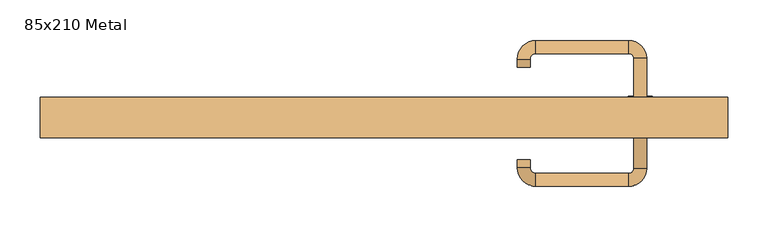
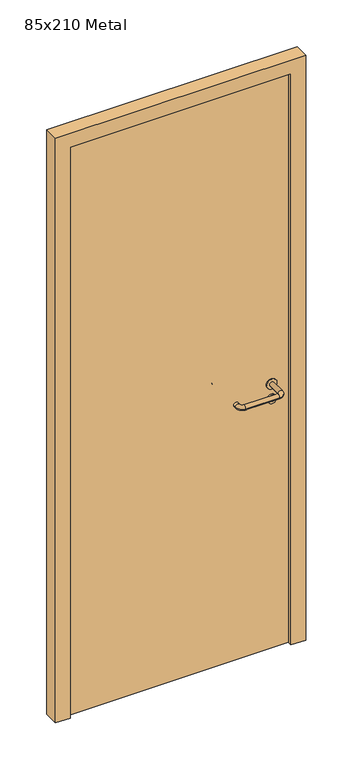
"""IFC4 building model written with IfcOpenShell, lengths in millimetres: door geometry, 85x210 Metal."""

from ifc_helpers import new_model, si_unit, point, frame, frame_2d, origin, origin_with_axes, place, context, project, spatial, polyline, circle_curve, ellipse_curve, trimmed, segment, composite_curve, outline, extrude, source, transform, mapped, element, save
from ifc_brep_helpers import plane_surface, cylinder_surface, revolved_surface, advanced_brep


def door_85x210_metal_51dfe99c(model_context):
    return source(origin(), model_context, "Body", "SolidModel", [
        extrude(outline(composite_curve([segment(trimmed(circle_curve(frame_2d((897.3605726, 317.0)), 15.0), [point((897.3605726, 332.0))], [point((897.3605726, 302.0))], False, "CARTESIAN"), True, "CONTINUOUS"), segment(trimmed(circle_curve(frame_2d((897.3605726, 317.0)), 15.0), [point((897.3605726, 302.0))], [point((897.3605726, 332.0))], False, "CARTESIAN"), True, "CONTINUOUS")], self_intersect=False), holes=[composite_curve([segment(trimmed(circle_curve(frame_2d((892.5833211, 316.9398032)), 2.0), [point((892.5833211, 318.9398032))], [point((892.5833211, 314.9398032))], True, "CARTESIAN"), True, "CONTINUOUS"), segment(polyline([(892.5833211, 314.9398032), (902.5833211, 314.9398032)]), True, "CONTINUOUS"), segment(trimmed(circle_curve(frame_2d((902.5833211, 316.9398032)), 2.0), [point((902.5833211, 314.9398032))], [point((902.5833211, 318.9398032))], True, "CARTESIAN"), True, "CONTINUOUS"), segment(polyline([(902.5833211, 318.9398032), (892.5833211, 318.9398032)]), True, "CONTINUOUS")], self_intersect=False)]), frame((0.0, -1.35, 0.0), z_axis=(0.0, 1.0, 0.0), x_axis=(0.0, 0.0, 1.0)), (0.0, 0.0, 1.0), 6.35),
        extrude(outline(composite_curve([segment(trimmed(circle_curve(frame_2d((950.0, 317.0)), 17.526), [point((950.0, 334.526))], [point((950.0, 299.474))], False, "CARTESIAN"), True, "CONTINUOUS"), segment(trimmed(circle_curve(frame_2d((950.0, 317.0)), 17.526), [point((950.0, 299.474))], [point((950.0, 334.526))], False, "CARTESIAN"), True, "CONTINUOUS")], self_intersect=False)), frame((0.0, 1.825, 0.0), z_axis=(0.0, 1.0, 0.0), x_axis=(0.0, 0.0, 1.0)), (0.0, 0.0, 1.0), 3.175),
        advanced_brep(
        [(325.0, 5.0, 950.0), (309.0, 5.0, 950.0), (309.0, -48.0, 950.0), (325.0, -48.0, 950.0), (302.8578644, -54.1421356, 950.0), (302.8578644, -70.1421356, 950.0), (187.8578644, -54.1421356, 950.0), (187.8578644, -70.1421356, 950.0), (181.008622, -47.2928932, 950.0), (165.008622, -47.2928932, 950.0), (165.008622, -37.2928932, 950.0), (181.008622, -37.2928932, 950.0)],
        [
            (0, 1, circle_curve(frame((317.0, 5.0, 950.0), z_axis=(0.0, 1.0, 0.0), x_axis=(-1.0, 0.0, 0.0)), 8.0)),
            (1, 0, circle_curve(frame((317.0, 5.0, 950.0), z_axis=(0.0, 1.0, 0.0), x_axis=(-1.0, 0.0, 0.0)), 8.0)),
            (1, 2),
            (2, 3, circle_curve(frame((317.0, -48.0, 950.0), z_axis=(0.0, 1.0, 0.0), x_axis=(-1.0, 0.0, 0.0)), 8.0)),
            (3, 0),
            (3, 2, circle_curve(frame((317.0, -48.0, 950.0), z_axis=(0.0, 1.0, 0.0), x_axis=(-1.0, 0.0, 0.0)), 8.0)),
            (4, 5, circle_curve(frame((302.8578644, -62.1421356, 950.0), z_axis=(1.0, 0.0, 0.0), x_axis=(0.0, 1.0, 0.0)), 8.0)),
            (5, 3, circle_curve(frame((302.8578644, -48.0, 950.0), z_axis=(0.0, 0.0, 1.0), x_axis=(1.0, 0.0, 0.0)), 22.1421356)),
            (2, 4, circle_curve(frame((302.8578644, -48.0, 950.0), z_axis=(0.0, 0.0, -1.0), x_axis=(1.0, 0.0, 0.0)), 6.1421356)),
            (5, 4, circle_curve(frame((302.8578644, -62.1421356, 950.0), z_axis=(1.0, 0.0, 0.0), x_axis=(0.0, 1.0, 0.0)), 8.0)),
            (4, 6),
            (6, 7, circle_curve(frame((187.8578644, -62.1421356, 950.0), z_axis=(1.0, 0.0, 0.0), x_axis=(0.0, 1.0, 0.0)), 8.0)),
            (7, 5),
            (7, 6, circle_curve(frame((187.8578644, -62.1421356, 950.0), z_axis=(1.0, 0.0, 0.0), x_axis=(0.0, 1.0, 0.0)), 8.0)),
            (8, 9, circle_curve(frame((173.008622, -47.2928932, 950.0), z_axis=(0.0, -1.0, 0.0), x_axis=(1.0, 0.0, 0.0)), 8.0)),
            (9, 7, circle_curve(frame((187.8578644, -47.2928932, 950.0), z_axis=(0.0, 0.0, 1.0), x_axis=(0.0, -1.0, 0.0)), 22.8492424)),
            (6, 8, circle_curve(frame((187.8578644, -47.2928932, 950.0), z_axis=(0.0, 0.0, -1.0), x_axis=(0.0, -1.0, 0.0)), 6.8492424)),
            (9, 8, circle_curve(frame((173.008622, -47.2928932, 950.0), z_axis=(0.0, -1.0, 0.0), x_axis=(1.0, 0.0, 0.0)), 8.0)),
            (10, 11, circle_curve(frame((173.008622, -37.2928932, 950.0), z_axis=(0.0, 1.0, 0.0), x_axis=(1.0, 0.0, 0.0)), 8.0)),
            (11, 10, circle_curve(frame((173.008622, -37.2928932, 950.0), z_axis=(0.0, 1.0, 0.0), x_axis=(1.0, 0.0, 0.0)), 8.0)),
            (8, 11),
            (10, 9),
        ],
        [
            plane_surface(frame((317.0, 5.0, 170.0), z_axis=(0.0, 1.0, 0.0), x_axis=(0.0, 0.0, 1.0))),
            cylinder_surface(frame((317.0, 5.0, 950.0), z_axis=(0.0, 1.0, 0.0), x_axis=(-1.0, 0.0, 0.0)), 8.0),
            revolved_surface(trimmed(ellipse_curve(frame((317.0, -48.0, 950.0), z_axis=(0.0, -1.0, 0.0), x_axis=(-1.0, 0.0, 0.0)), 8.0, 8.0), [point((325.0, -48.0, 950.0))], [point((309.0, -48.0, 950.0))], True, "CARTESIAN"), (302.8578644, -48.0, 170.0), (0.0, 0.0, 1.0)),
            revolved_surface(trimmed(ellipse_curve(frame((317.0, -48.0, 950.0), z_axis=(0.0, -1.0, 0.0), x_axis=(-1.0, 0.0, 0.0)), 8.0, 8.0), [point((309.0, -48.0, 950.0))], [point((325.0, -48.0, 950.0))], True, "CARTESIAN"), (302.8578644, -48.0, 170.0), (0.0, 0.0, 1.0)),
            cylinder_surface(frame((302.8578644, -62.1421356, 950.0), z_axis=(1.0, 0.0, 0.0), x_axis=(0.0, 1.0, 0.0)), 8.0),
            revolved_surface(trimmed(ellipse_curve(frame((187.8578644, -62.1421356, 950.0), z_axis=(-1.0, 0.0, 0.0), x_axis=(0.0, 1.0, 0.0)), 8.0, 8.0), [point((187.8578644, -70.1421356, 950.0))], [point((187.8578644, -54.1421356, 950.0))], True, "CARTESIAN"), (187.8578644, -47.2928932, 170.0), (0.0, 0.0, 1.0)),
            revolved_surface(trimmed(ellipse_curve(frame((187.8578644, -62.1421356, 950.0), z_axis=(-1.0, 0.0, 0.0), x_axis=(0.0, 1.0, 0.0)), 8.0, 8.0), [point((187.8578644, -54.1421356, 950.0))], [point((187.8578644, -70.1421356, 950.0))], True, "CARTESIAN"), (187.8578644, -47.2928932, 170.0), (0.0, 0.0, 1.0)),
            plane_surface(frame((173.008622, -37.2928932, 170.0), z_axis=(0.0, 1.0, 0.0), x_axis=(0.0, 0.0, 1.0))),
            cylinder_surface(frame((173.008622, -47.2928932, 950.0), z_axis=(0.0, -1.0, 0.0), x_axis=(1.0, 0.0, 0.0)), 8.0),
        ],
        [
            (0, [[1, 2]]),
            (1, [[3, 4, 5, -2]]),
            (1, [[-5, 6, -3, -1]]),
            (2, [[7, 8, -4, 9]]),
            (3, [[10, -9, -6, -8]]),
            (4, [[11, 12, 13, -7]]),
            (4, [[-13, 14, -11, -10]]),
            (5, [[15, 16, -12, 17]]),
            (6, [[18, -17, -14, -16]]),
            (7, [[19, 20]]),
            (8, [[21, -19, 22, -15]]),
            (8, [[-22, -20, -21, -18]]),
        ],
    ),
        extrude(outline(composite_curve([segment(trimmed(circle_curve(frame_2d((0.0, -15.0)), 15.0), [point((0.0, -30.0))], [point((0.0, 0.0))], False, "CARTESIAN"), True, "CONTINUOUS"), segment(trimmed(circle_curve(frame_2d((0.0, -15.0)), 15.0), [point((0.0, 0.0))], [point((0.0, -30.0))], False, "CARTESIAN"), True, "CONTINUOUS")], self_intersect=False), holes=[composite_curve([segment(trimmed(circle_curve(frame_2d((4.7772515, -14.9398032)), 2.0), [point((4.7772515, -16.9398032))], [point((4.7772515, -12.9398032))], True, "CARTESIAN"), True, "CONTINUOUS"), segment(polyline([(4.7772515, -12.9398032), (-5.2227485, -12.9398032)]), True, "CONTINUOUS"), segment(trimmed(circle_curve(frame_2d((-5.2227485, -14.9398032)), 2.0), [point((-5.2227485, -12.9398032))], [point((-5.2227485, -16.9398032))], True, "CARTESIAN"), True, "CONTINUOUS"), segment(polyline([(-5.2227485, -16.9398032), (4.7772515, -16.9398032)]), True, "CONTINUOUS")], self_intersect=False)]), frame((302.0, 35.0, 897.3605726), z_axis=(1.8870575173328306e-12, 1.0, 0.0), x_axis=(0.0, 0.0, -1.0)), (0.0, 0.0, 1.0), 6.35),
        extrude(outline(composite_curve([segment(trimmed(circle_curve(frame_2d((0.0, -17.526)), 17.526), [point((0.0, -35.052))], [point((0.0, 0.0))], False, "CARTESIAN"), True, "CONTINUOUS"), segment(trimmed(circle_curve(frame_2d((0.0, -17.526)), 17.526), [point((0.0, 0.0))], [point((0.0, -35.052))], False, "CARTESIAN"), True, "CONTINUOUS")], self_intersect=False)), frame((299.474, 35.0, 950.0), z_axis=(1.8870575173328306e-12, 1.0, 0.0), x_axis=(0.0, 0.0, -1.0)), (0.0, 0.0, 1.0), 3.175),
        advanced_brep(
        [(325.0, 35.0, 950.0), (309.0, 35.0, 950.0), (325.0, 88.0, 950.0), (309.0, 88.0, 950.0), (302.8578644, 94.1421356, 950.0), (302.8578644, 110.1421356, 950.0), (187.8578644, 110.1421356, 950.0), (187.8578644, 94.1421356, 950.0), (181.008622, 87.2928932, 950.0), (165.008622, 87.2928932, 950.0), (165.008622, 77.2928932, 950.0), (181.008622, 77.2928932, 950.0)],
        [
            (0, 1, circle_curve(frame((317.0, 35.0, 950.0), z_axis=(-1.888672253512351e-12, -1.0, 0.0), x_axis=(-1.0, 1.888672253512351e-12, 0.0)), 8.0)),
            (1, 0, circle_curve(frame((317.0, 35.0, 950.0), z_axis=(-1.888672253512351e-12, -1.0, 0.0), x_axis=(-1.0, 1.888672253512351e-12, 0.0)), 8.0)),
            (0, 2),
            (2, 3, circle_curve(frame((317.0, 88.0, 950.0), z_axis=(-1.888672253512351e-12, -1.0, 0.0), x_axis=(-1.0, 1.888672253512351e-12, 0.0)), 8.0)),
            (3, 1),
            (3, 2, circle_curve(frame((317.0, 88.0, 950.0), z_axis=(-1.888672253512351e-12, -1.0, 0.0), x_axis=(-1.0, 1.888672253512351e-12, 0.0)), 8.0)),
            (4, 3, circle_curve(frame((302.8578644, 88.0, 950.0), z_axis=(0.0, 0.0, -1.0), x_axis=(1.0, -1.880717803715015e-12, 0.0)), 6.1421356)),
            (2, 5, circle_curve(frame((302.8578644, 88.0, 950.0), z_axis=(0.0, 0.0, 1.0), x_axis=(1.0, -1.880717803715015e-12, 0.0)), 22.1421356)),
            (5, 4, circle_curve(frame((302.8578644, 102.1421356, 950.0), z_axis=(1.0, -1.913702061528922e-12, 0.0), x_axis=(-1.913702061528922e-12, -1.0, 0.0)), 8.0)),
            (4, 5, circle_curve(frame((302.8578644, 102.1421356, 950.0), z_axis=(1.0, -1.913702061528922e-12, 0.0), x_axis=(-1.913702061528922e-12, -1.0, 0.0)), 8.0)),
            (5, 6),
            (6, 7, circle_curve(frame((187.8578644, 102.1421356, 950.0), z_axis=(1.0, -1.913719828541269e-12, 0.0), x_axis=(-1.913719828541269e-12, -1.0, 0.0)), 8.0)),
            (7, 4),
            (7, 6, circle_curve(frame((187.8578644, 102.1421356, 950.0), z_axis=(1.0, -1.913719828541269e-12, 0.0), x_axis=(-1.913719828541269e-12, -1.0, 0.0)), 8.0)),
            (8, 7, circle_curve(frame((187.8578644, 87.2928932, 950.0), z_axis=(0.0, 0.0, -1.0), x_axis=(1.9120873253494017e-12, 1.0, 0.0)), 6.8492424)),
            (6, 9, circle_curve(frame((187.8578644, 87.2928932, 950.0), z_axis=(0.0, 0.0, 1.0), x_axis=(1.9120873253494017e-12, 1.0, 0.0)), 22.8492424)),
            (9, 8, circle_curve(frame((173.008622, 87.2928932, 950.0), z_axis=(1.890670654956676e-12, 1.0, 0.0), x_axis=(1.0, -1.890670654956676e-12, 0.0)), 8.0)),
            (8, 9, circle_curve(frame((173.008622, 87.2928932, 950.0), z_axis=(1.890226565746826e-12, 1.0, 0.0), x_axis=(1.0, -1.890226565746826e-12, 0.0)), 8.0)),
            (10, 11, circle_curve(frame((173.008622, 77.2928932, 950.0), z_axis=(-1.8903642334018795e-12, -1.0, 0.0), x_axis=(1.0, -1.8903642334018795e-12, 0.0)), 8.0)),
            (11, 10, circle_curve(frame((173.008622, 77.2928932, 950.0), z_axis=(-1.8903642334018795e-12, -1.0, 0.0), x_axis=(1.0, -1.8903642334018795e-12, 0.0)), 8.0)),
            (9, 10),
            (11, 8),
        ],
        [
            plane_surface(frame((317.0, 35.0, 170.0), z_axis=(-1.8870575173328306e-12, -1.0, 0.0), x_axis=(0.0, 0.0, 1.0))),
            cylinder_surface(frame((317.0, 35.0, 950.0), z_axis=(-1.888672253512351e-12, -1.0, 0.0), x_axis=(-1.0, 1.888672253512351e-12, 0.0)), 8.0),
            revolved_surface(trimmed(ellipse_curve(frame((317.0, 88.0, 950.0), z_axis=(-1.8823325398945356e-12, -1.0, 0.0), x_axis=(-1.0, 1.8823325398945356e-12, 0.0)), 8.0, 8.0), [point((325.0, 88.0, 950.0))], [point((309.0, 88.0, 950.0))], True, "CARTESIAN"), (302.8578644, 88.0, 170.0), (0.0, 0.0, 1.0)),
            revolved_surface(trimmed(ellipse_curve(frame((317.0, 88.0, 950.0), z_axis=(-1.8823325398945356e-12, -1.0, 0.0), x_axis=(-1.0, 1.8823325398945356e-12, 0.0)), 8.0, 8.0), [point((309.0, 88.0, 950.0))], [point((325.0, 88.0, 950.0))], True, "CARTESIAN"), (302.8578644, 88.0, 170.0), (0.0, 0.0, 1.0)),
            cylinder_surface(frame((302.8578644, 102.1421356, 950.0), z_axis=(1.0, -1.913719828541269e-12, 0.0), x_axis=(-1.913719828541269e-12, -1.0, 0.0)), 8.0),
            revolved_surface(trimmed(ellipse_curve(frame((187.8578644, 102.1421356, 950.0), z_axis=(1.0, -1.913702061528922e-12, 0.0), x_axis=(-1.913702061528922e-12, -1.0, 0.0)), 8.0, 8.0), [point((187.8578644, 110.1421356, 950.0))], [point((187.8578644, 94.1421356, 950.0))], True, "CARTESIAN"), (187.8578644, 87.2928932, 170.0), (0.0, 0.0, 1.0)),
            revolved_surface(trimmed(ellipse_curve(frame((187.8578644, 102.1421356, 950.0), z_axis=(1.0, -1.913702061528922e-12, 0.0), x_axis=(-1.913702061528922e-12, -1.0, 0.0)), 8.0, 8.0), [point((187.8578644, 94.1421356, 950.0))], [point((187.8578644, 110.1421356, 950.0))], True, "CARTESIAN"), (187.8578644, 87.2928932, 170.0), (0.0, 0.0, 1.0)),
            plane_surface(frame((173.008622, 77.2928932, 170.0), z_axis=(-1.8887494972223595e-12, -1.0, 0.0), x_axis=(0.0, 0.0, 1.0))),
            cylinder_surface(frame((173.008622, 87.2928932, 950.0), z_axis=(1.8903642334018795e-12, 1.0, 0.0), x_axis=(1.0, -1.8903642334018795e-12, 0.0)), 8.0),
        ],
        [
            (0, [[1, 2]]),
            (1, [[-1, 3, 4, 5]]),
            (1, [[-2, -5, 6, -3]]),
            (2, [[7, -4, 8, 9]]),
            (3, [[-8, -6, -7, 10]]),
            (4, [[-9, 11, 12, 13]]),
            (4, [[-10, -13, 14, -11]]),
            (5, [[15, -12, 16, 17]]),
            (6, [[-16, -14, -15, 18]]),
            (7, [[19, 20]]),
            (8, [[-17, 21, -20, 22]]),
            (8, [[-18, -22, -19, -21]]),
        ],
    ),
        extrude(outline(polyline([(2050.0, 375.0), (0.0, 375.0), (0.0, 425.0), (2100.0, 425.0), (2100.0, -425.0), (0.0, -425.0), (0.0, -375.0), (2050.0, -375.0), (2050.0, 375.0)])), frame((0.0, -10.0, 0.0), z_axis=(0.0, 1.0, 0.0), x_axis=(0.0, 0.0, 1.0)), (0.0, 0.0, 1.0), 50.0),
        extrude(outline(polyline([(-375.0, 35.0), (375.0, 35.0), (375.0, 5.0), (-375.0, 5.0), (-375.0, 35.0)])), origin_with_axes(), (0.0, 0.0, 1.0), 2050.0),
    ])


if __name__ == "__main__":
    model = new_model("IFC4")
    model_context = context("Model", 3, world=origin())
    ifc_project = project(units=[si_unit("LENGTHUNIT", "METRE", prefix="MILLI")], contexts=[model_context])
    site = spatial("IfcSite", under=ifc_project)
    building = spatial("IfcBuilding", under=site)
    placement = place(None, origin())
    door_85x210_metal_shape = door_85x210_metal_51dfe99c(model_context)
    element("IfcDoor", 1, ObjectType="85x210 Metal", at=placement, inside=building, context=model_context, shape_type="MappedRepresentation", body=[
        mapped(door_85x210_metal_shape, transform((0.0, 0.0, 0.0), x_axis=(1.0, 0.0, 0.0), y_axis=(0.0, 1.0, 0.0), z_axis=(0.0, 0.0, 1.0))),
    ])
    save(model, "model.ifc")
